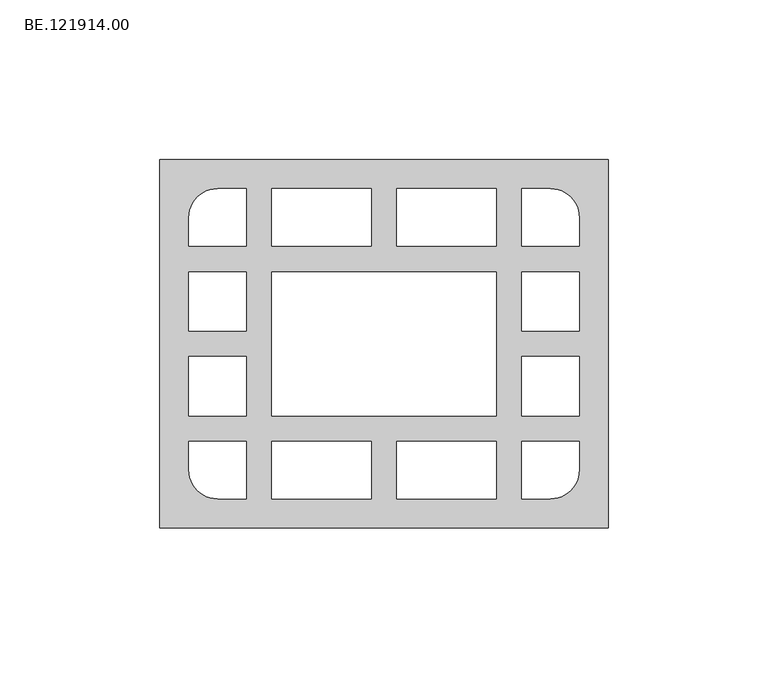
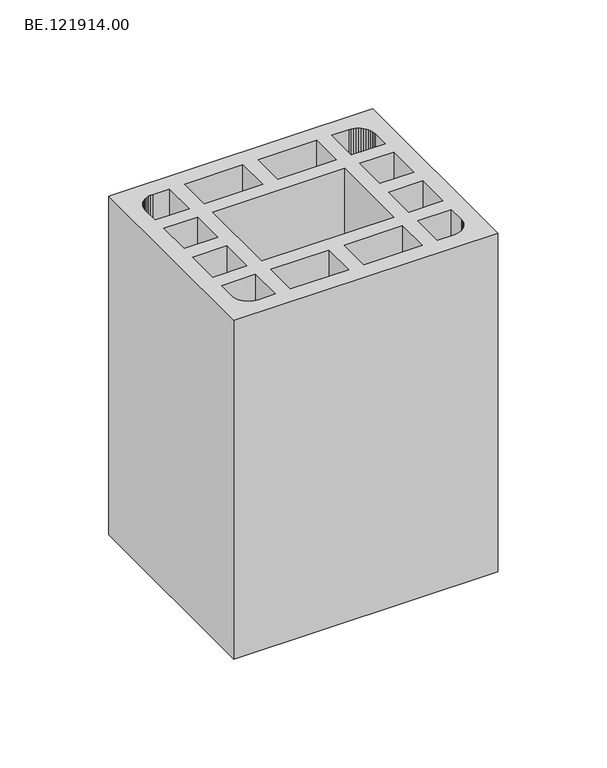
"""IFC4 building model written with IfcOpenShell, lengths in millimetres: proxy geometry, BE.121914.00."""

from ifc_helpers import new_model, si_unit, origin, origin_with_axes, place, context, project, spatial, polyline, outline, extrude, source, transform, mapped, element, save


def be_121914_00_c4556750(model_context):
    return source(origin(), model_context, "Body", "SweptSolid", [
        extrude(outline(polyline([(145.0007568, 57.5034668), (145.0007568, -57.5034668), (5.0, -57.5034668), (5.0, 57.5034668), (145.0007568, 57.5034668)]), holes=[polyline([(71.0052734, 48.4993652), (39.9932129, 48.4993652), (39.9932129, 30.5097656), (71.0052734, 30.5097656), (71.0052734, 48.4993652)]), polyline([(110.0075439, 48.4993652), (79.0047852, 48.4993652), (79.0047852, 30.5097656), (110.0075439, 30.5097656), (110.0075439, 48.4993652)]), polyline([(110.0075439, 22.5009521), (39.9932129, 22.5009521), (39.9932129, -22.5009521), (110.0075439, -22.5009521), (110.0075439, 22.5009521)]), polyline([(71.0052734, -48.4993652), (71.0052734, -30.5004639), (39.9932129, -30.5004639), (39.9932129, -48.4993652), (71.0052734, -48.4993652)]), polyline([(110.0075439, -48.4993652), (110.0075439, -30.5004639), (79.0047852, -30.5004639), (79.0047852, -48.4993652), (110.0075439, -48.4993652)]), polyline([(32.0020996, 22.5009521), (14.0125, 22.5009521), (14.0125, 3.9997559), (32.0020996, 3.9997559), (32.0020996, 22.5009521)]), polyline([(32.0020996, -22.5009521), (32.0020996, -3.9997559), (14.0125, -3.9997559), (14.0125, -22.5009521), (32.0020996, -22.5009521)]), polyline([(14.0041016, 30.5004639), (32.0030029, 30.5004639), (32.0030029, 48.4993652), (23.0082031, 48.4993652), (21.8268799, 48.4249512), (20.6734619, 48.1924072), (19.557251, 47.8203369), (18.5061523, 47.2994385), (17.5294678, 46.6390137), (16.636499, 45.8669678), (15.8644531, 44.9833008), (15.2133301, 43.9973145), (14.6924316, 42.9462158), (14.3110596, 41.8300049), (14.0785156, 40.6765869), (14.0041016, 39.5045654), (14.0041016, 30.5004639)]), polyline([(14.0041016, -30.5004639), (14.0041016, -39.5045654), (14.0785156, -40.6765869), (14.3110596, -41.8300049), (14.6924316, -42.9462158), (15.2133301, -43.9973145), (15.8644531, -44.9833008), (16.636499, -45.8669678), (17.5294678, -46.6390137), (18.5061523, -47.2994385), (19.557251, -47.8203369), (20.6734619, -48.1924072), (21.8268799, -48.4249512), (23.0082031, -48.4993652), (32.0030029, -48.4993652), (32.0030029, -30.5004639), (14.0041016, -30.5004639)]), polyline([(118.0088623, 22.5009521), (118.0088623, 3.9997559), (135.9984619, 3.9997559), (135.9984619, 22.5009521), (118.0088623, 22.5009521)]), polyline([(118.0088623, -22.5009521), (135.9984619, -22.5009521), (135.9984619, -3.9997559), (118.0088623, -3.9997559), (118.0088623, -22.5009521)]), polyline([(136.0068604, 30.5004639), (136.0068604, 39.5045654), (135.9324463, 40.6765869), (135.6999023, 41.8300049), (135.3185303, 42.9462158), (134.7976318, 43.9973145), (134.1465088, 44.9833008), (133.3744629, 45.8669678), (132.4814941, 46.6390137), (131.5048096, 47.2994385), (130.4537109, 47.8203369), (129.3375, 48.1924072), (128.184082, 48.4249512), (127.0027588, 48.4993652), (118.007959, 48.4993652), (118.007959, 30.5004639), (136.0068604, 30.5004639)]), polyline([(136.0068604, -30.5004639), (118.007959, -30.5004639), (118.007959, -48.4993652), (127.0027588, -48.4993652), (128.184082, -48.4249512), (129.3375, -48.1924072), (130.4537109, -47.8203369), (131.5048096, -47.2994385), (132.4814941, -46.6390137), (133.3744629, -45.8669678), (134.1465088, -44.9833008), (134.7976318, -43.9973145), (135.3185303, -42.9462158), (135.6999023, -41.8300049), (135.9324463, -40.6765869), (136.0068604, -39.5045654), (136.0068604, -30.5004639)])]), origin_with_axes(), (0.0, 0.0, 1.0), 190.0),
    ])


if __name__ == "__main__":
    model = new_model("IFC4")
    model_context = context("Model", 3, world=origin())
    ifc_project = project(units=[si_unit("LENGTHUNIT", "METRE", prefix="MILLI")], contexts=[model_context])
    site = spatial("IfcSite", under=ifc_project)
    building = spatial("IfcBuilding", under=site)
    placement = place(None, origin())
    be_121914_00_shape = be_121914_00_c4556750(model_context)
    element("IfcBuildingElementProxy", 1, Name="BE.121914.00", ObjectType="BE.121914.00", at=placement, inside=building, context=model_context, shape_type="MappedRepresentation", body=[
        mapped(be_121914_00_shape, transform((0.0, 0.0, 0.0), x_axis=(1.0, 0.0, 0.0), y_axis=(0.0, 1.0, 0.0), z_axis=(0.0, 0.0, 1.0))),
    ])
    save(model, "model.ifc")
